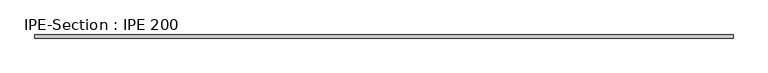
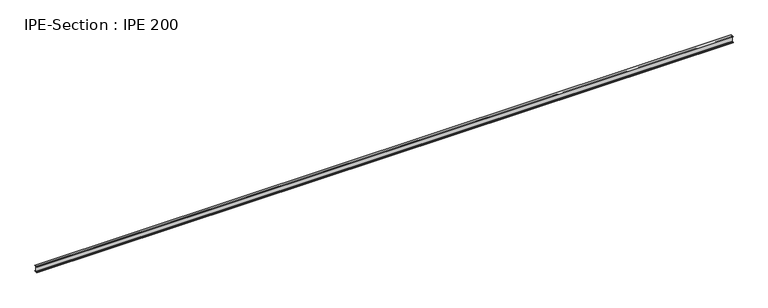
"""IFC4 building model written with IfcOpenShell, lengths in millimetres: beam geometry, IPE-Section : IPE 200."""

from ifc_helpers import new_model, si_unit, point, frame, frame_2d, origin, place, context, project, spatial, polyline, circle_curve, trimmed, segment, composite_curve, outline, extrude, source, transform, mapped, element, save


def ipe_section_ipe_200_66a47fe5(model_context):
    return source(origin(), model_context, "Body", "SweptSolid", [
        extrude(outline(composite_curve([segment(polyline([(50.0, -91.5), (50.0, -100.0), (-50.0, -100.0), (-50.0, -91.5), (-14.8, -91.5)]), True, "CONTINUOUS"), segment(trimmed(circle_curve(frame_2d((-14.8, -79.5)), 12.0), [point((-14.8, -91.5))], [point((-2.8, -79.5))], True, "CARTESIAN"), True, "CONTINUOUS"), segment(polyline([(-2.8, -79.5), (-2.8, 79.5)]), True, "CONTINUOUS"), segment(trimmed(circle_curve(frame_2d((-14.8, 79.5)), 12.0), [point((-2.8, 79.5))], [point((-14.8, 91.5))], True, "CARTESIAN"), True, "CONTINUOUS"), segment(polyline([(-14.8, 91.5), (-50.0, 91.5), (-50.0, 100.0), (50.0, 100.0), (50.0, 91.5), (14.8, 91.5)]), True, "CONTINUOUS"), segment(trimmed(circle_curve(frame_2d((14.8, 79.5)), 12.0), [point((14.8, 91.5))], [point((2.8, 79.5))], True, "CARTESIAN"), True, "CONTINUOUS"), segment(polyline([(2.8, 79.5), (2.8, -79.5)]), True, "CONTINUOUS"), segment(trimmed(circle_curve(frame_2d((14.8, -79.5)), 12.0), [point((2.8, -79.5))], [point((14.8, -91.5))], True, "CARTESIAN"), True, "CONTINUOUS"), segment(polyline([(14.8, -91.5), (50.0, -91.5)]), True, "CONTINUOUS")], self_intersect=False)), frame((-11121.25, 0.0, 0.0), z_axis=(1.0, 0.0, 0.0), x_axis=(0.0, 1.0, 0.0)), (0.0, 0.0, 1.0), 22242.5),
    ])


if __name__ == "__main__":
    model = new_model("IFC4")
    model_context = context("Model", 3, world=origin())
    ifc_project = project(units=[si_unit("LENGTHUNIT", "METRE", prefix="MILLI")], contexts=[model_context])
    site = spatial("IfcSite", under=ifc_project)
    building = spatial("IfcBuilding", under=site)
    placement = place(None, origin())
    ipe_section_ipe_200_shape = ipe_section_ipe_200_66a47fe5(model_context)
    element("IfcBeam", 1, ObjectType="IPE-Section : IPE 200", at=placement, inside=building, context=model_context, shape_type="MappedRepresentation", body=[
        mapped(ipe_section_ipe_200_shape, transform((0.0, 0.0, 0.0), x_axis=(1.0, 0.0, 0.0), y_axis=(0.0, 1.0, 0.0), z_axis=(0.0, 0.0, 1.0))),
    ])
    save(model, "model.ifc")
